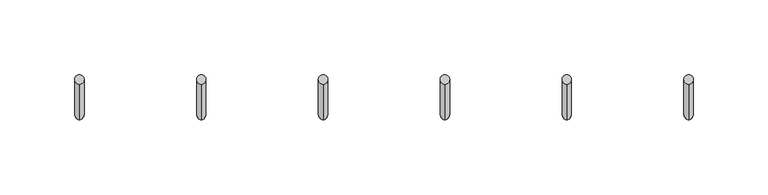
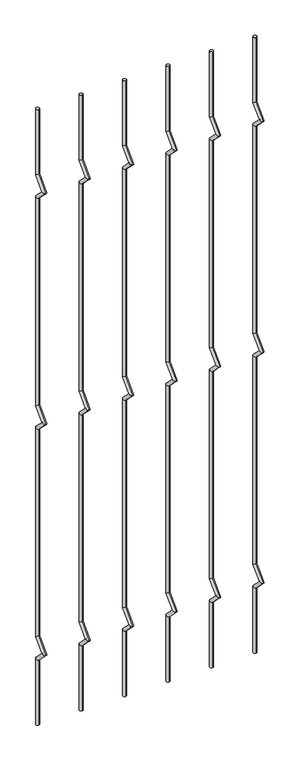
"""IFC4 building model written with IfcOpenShell, lengths in millimetres: railing geometry."""

from ifc_helpers import new_model, si_unit, frame, origin, place, context, project, spatial, circle_curve, ellipse_curve, source, transform, mapped, element, save
from ifc_brep_helpers import plane_surface, cylinder_surface, advanced_brep


def railing_15c8e966(model_context):
    return source(origin(), model_context, "Body", "AdvancedBrep", [
        advanced_brep(
        [(-19446.8326189, 14808.5554142, 25.4), (-19446.8326189, 14802.2054142, 25.4), (-19446.8326189, 14802.2054142, 154.0342316), (-19446.8326189, 14808.5554142, 156.6644878), (-19446.8326189, 14778.4396458, 177.8), (-19446.8326189, 14787.419902, 177.8), (-19446.8326189, 14802.2054142, 201.5657684), (-19446.8326189, 14808.5554142, 198.9355122), (-19446.8326189, 14802.2054142, 611.2342316), (-19446.8326189, 14808.5554142, 613.8644878), (-19446.8326189, 14778.4396458, 635.0), (-19446.8326189, 14787.419902, 635.0), (-19446.8326189, 14802.2054142, 658.7657684), (-19446.8326189, 14808.5554142, 656.1355122), (-19446.8326189, 14802.2054142, 1068.4342316), (-19446.8326189, 14808.5554142, 1071.0644878), (-19446.8326189, 14778.4396458, 1092.2), (-19446.8326189, 14787.419902, 1092.2), (-19446.8326189, 14802.2054142, 1115.9657684), (-19446.8326189, 14808.5554142, 1113.3355122), (-19446.8326189, 14808.5554142, 1244.6), (-19446.8326189, 14802.2054142, 1244.6)],
        [
            (0, 1, circle_curve(frame((-19446.8326189, 14805.3804142, 25.4), z_axis=(0.0, 0.0, -1.0), x_axis=(0.0, -1.0, 0.0)), 3.175)),
            (1, 0, circle_curve(frame((-19446.8326189, 14805.3804142, 25.4), z_axis=(0.0, 0.0, -1.0), x_axis=(0.0, -1.0, 0.0)), 3.175)),
            (1, 2),
            (2, 3, ellipse_curve(frame((-19446.8326189, 14805.3804142, 155.3493597), z_axis=(0.0, 0.3826834323650955, -0.9238795325112844), x_axis=(0.0, -0.9238795325112845, -0.38268343236509544)), 3.4365952, 3.175)),
            (3, 0),
            (3, 2, ellipse_curve(frame((-19446.8326189, 14805.3804142, 155.3493597), z_axis=(0.0, 0.3826834323650955, -0.9238795325112844), x_axis=(0.0, -0.9238795325112845, -0.38268343236509544)), 3.4365952, 3.175)),
            (2, 4),
            (4, 5, ellipse_curve(frame((-19446.8326189, 14782.9297739, 177.8), z_axis=(0.0, 0.0, -1.0), x_axis=(0.0, 1.0, 0.0)), 4.4901281, 3.175)),
            (5, 3),
            (5, 4, ellipse_curve(frame((-19446.8326189, 14782.9297739, 177.8), z_axis=(0.0, 0.0, -1.0), x_axis=(0.0, 1.0, 0.0)), 4.4901281, 3.175)),
            (4, 6),
            (6, 7, ellipse_curve(frame((-19446.8326189, 14805.3804142, 200.2506403), z_axis=(0.0, -0.3826834323650839, -0.9238795325112892), x_axis=(0.0, -0.9238795325112893, 0.38268343236508373)), 3.4365952, 3.175)),
            (7, 5),
            (7, 6, ellipse_curve(frame((-19446.8326189, 14805.3804142, 200.2506403), z_axis=(0.0, -0.3826834323650839, -0.9238795325112892), x_axis=(0.0, -0.9238795325112893, 0.38268343236508373)), 3.4365952, 3.175)),
            (6, 8),
            (8, 9, ellipse_curve(frame((-19446.8326189, 14805.3804142, 612.5493597), z_axis=(0.0, 0.3826834323651024, -0.9238795325112816), x_axis=(0.0, -0.9238795325112816, -0.382683432365102)), 3.4365952, 3.175)),
            (9, 7),
            (9, 8, ellipse_curve(frame((-19446.8326189, 14805.3804142, 612.5493597), z_axis=(0.0, 0.3826834323651024, -0.9238795325112816), x_axis=(0.0, -0.9238795325112816, -0.382683432365102)), 3.4365952, 3.175)),
            (8, 10),
            (10, 11, ellipse_curve(frame((-19446.8326189, 14782.9297739, 635.0), z_axis=(0.0, 0.0, -1.0), x_axis=(0.0, 1.0, 0.0)), 4.4901281, 3.175)),
            (11, 9),
            (11, 10, ellipse_curve(frame((-19446.8326189, 14782.9297739, 635.0), z_axis=(0.0, 0.0, -1.0), x_axis=(0.0, 1.0, 0.0)), 4.4901281, 3.175)),
            (10, 12),
            (12, 13, ellipse_curve(frame((-19446.8326189, 14805.3804142, 657.4506403), z_axis=(0.0, -0.3826834323650771, -0.923879532511292), x_axis=(0.0, -0.9238795325112918, 0.3826834323650773)), 3.4365952, 3.175)),
            (13, 11),
            (13, 12, ellipse_curve(frame((-19446.8326189, 14805.3804142, 657.4506403), z_axis=(0.0, -0.3826834323650771, -0.923879532511292), x_axis=(0.0, -0.9238795325112918, 0.3826834323650773)), 3.4365952, 3.175)),
            (12, 14),
            (14, 15, ellipse_curve(frame((-19446.8326189, 14805.3804142, 1069.7493597), z_axis=(0.0, 0.3826834323650978, -0.9238795325112834), x_axis=(0.0, -0.9238795325112834, -0.382683432365098)), 3.4365952, 3.175)),
            (15, 13),
            (15, 14, ellipse_curve(frame((-19446.8326189, 14805.3804142, 1069.7493597), z_axis=(0.0, 0.3826834323650978, -0.9238795325112834), x_axis=(0.0, -0.9238795325112834, -0.382683432365098)), 3.4365952, 3.175)),
            (14, 16),
            (16, 17, ellipse_curve(frame((-19446.8326189, 14782.9297739, 1092.2), z_axis=(0.0, 0.0, -1.0), x_axis=(0.0, 1.0, 0.0)), 4.4901281, 3.175)),
            (17, 15),
            (17, 16, ellipse_curve(frame((-19446.8326189, 14782.9297739, 1092.2), z_axis=(0.0, 0.0, -1.0), x_axis=(0.0, 1.0, 0.0)), 4.4901281, 3.175)),
            (16, 18),
            (18, 19, ellipse_curve(frame((-19446.8326189, 14805.3804142, 1114.6506403), z_axis=(0.0, -0.38268343236508223, -0.9238795325112898), x_axis=(0.0, -0.92387953251129, 0.38268343236508207)), 3.4365952, 3.175)),
            (19, 17),
            (19, 18, ellipse_curve(frame((-19446.8326189, 14805.3804142, 1114.6506403), z_axis=(0.0, -0.38268343236508223, -0.9238795325112898), x_axis=(0.0, -0.92387953251129, 0.38268343236508207)), 3.4365952, 3.175)),
            (20, 21, circle_curve(frame((-19446.8326189, 14805.3804142, 1244.6), z_axis=(0.0, 0.0, 1.0), x_axis=(0.0, -1.0, 0.0)), 3.175)),
            (21, 20, circle_curve(frame((-19446.8326189, 14805.3804142, 1244.6), z_axis=(0.0, 0.0, 1.0), x_axis=(0.0, -1.0, 0.0)), 3.175)),
            (18, 21),
            (20, 19),
        ],
        [
            plane_surface(frame((-19446.8326189, 14805.3804142, 25.4), z_axis=(0.0, 0.0, -1.0), x_axis=(-1.0, 0.0, 0.0))),
            cylinder_surface(frame((-19446.8326189, 14805.3804142, 25.4), z_axis=(0.0, 0.0, -1.0), x_axis=(0.0, -1.0, 0.0)), 3.175),
            cylinder_surface(frame((-19446.8326189, 14805.3804142, 155.3493597), z_axis=(0.0, 0.7071067811865563, -0.7071067811865388), x_axis=(0.0, -0.7071067811865388, -0.7071067811865563)), 3.175),
            cylinder_surface(frame((-19446.8326189, 14782.9297739, 177.8), z_axis=(0.0, -0.7071067811865385, -0.7071067811865568), x_axis=(0.0, -0.7071067811865568, 0.7071067811865385)), 3.175),
            cylinder_surface(frame((-19446.8326189, 14805.3804142, 200.2506403), z_axis=(0.0, 0.0, -1.0), x_axis=(0.0, -1.0, 0.0)), 3.175),
            cylinder_surface(frame((-19446.8326189, 14805.3804142, 612.5493597), z_axis=(0.0, 0.7071067811865669, -0.707106781186528), x_axis=(0.0, -0.707106781186528, -0.7071067811865669)), 3.175),
            cylinder_surface(frame((-19446.8326189, 14782.9297739, 635.0), z_axis=(0.0, -0.7071067811865279, -0.7071067811865672), x_axis=(0.0, -0.7071067811865672, 0.7071067811865279)), 3.175),
            cylinder_surface(frame((-19446.8326189, 14805.3804142, 657.4506403), z_axis=(0.0, 0.0, -1.0), x_axis=(0.0, -1.0, 0.0)), 3.175),
            cylinder_surface(frame((-19446.8326189, 14805.3804142, 1069.7493597), z_axis=(0.0, 0.7071067811865601, -0.707106781186535), x_axis=(0.0, -0.707106781186535, -0.7071067811865601)), 3.175),
            cylinder_surface(frame((-19446.8326189, 14782.9297739, 1092.2), z_axis=(0.0, -0.7071067811865356, -0.7071067811865596), x_axis=(0.0, -0.7071067811865596, 0.7071067811865356)), 3.175),
            plane_surface(frame((-19446.8326189, 14805.3804142, 1244.6), z_axis=(0.0, 0.0, 1.0), x_axis=(-1.0, 0.0, 0.0))),
            cylinder_surface(frame((-19446.8326189, 14805.3804142, 1114.6506403), z_axis=(0.0, 0.0, -1.0), x_axis=(0.0, -1.0, 0.0)), 3.175),
        ],
        [
            (0, [[1, 2]]),
            (1, [[3, 4, 5, -2]]),
            (1, [[-5, 6, -3, -1]]),
            (2, [[7, 8, 9, -4]]),
            (2, [[-9, 10, -7, -6]]),
            (3, [[11, 12, 13, -8]]),
            (3, [[-13, 14, -11, -10]]),
            (4, [[15, 16, 17, -12]]),
            (4, [[-17, 18, -15, -14]]),
            (5, [[19, 20, 21, -16]]),
            (5, [[-21, 22, -19, -18]]),
            (6, [[23, 24, 25, -20]]),
            (6, [[-25, 26, -23, -22]]),
            (7, [[27, 28, 29, -24]]),
            (7, [[-29, 30, -27, -26]]),
            (8, [[31, 32, 33, -28]]),
            (8, [[-33, 34, -31, -30]]),
            (9, [[35, 36, 37, -32]]),
            (9, [[-37, 38, -35, -34]]),
            (10, [[39, 40]]),
            (11, [[41, -39, 42, -36]]),
            (11, [[-42, -40, -41, -38]]),
        ],
    ),
        advanced_brep(
        [(-19365.2595419, 14808.5554142, 25.4), (-19365.2595419, 14802.2054142, 25.4), (-19365.2595419, 14802.2054142, 154.0342316), (-19365.2595419, 14808.5554142, 156.6644878), (-19365.2595419, 14778.4396458, 177.8), (-19365.2595419, 14787.419902, 177.8), (-19365.2595419, 14802.2054142, 201.5657684), (-19365.2595419, 14808.5554142, 198.9355122), (-19365.2595419, 14802.2054142, 611.2342316), (-19365.2595419, 14808.5554142, 613.8644878), (-19365.2595419, 14778.4396458, 635.0), (-19365.2595419, 14787.419902, 635.0), (-19365.2595419, 14802.2054142, 658.7657684), (-19365.2595419, 14808.5554142, 656.1355122), (-19365.2595419, 14802.2054142, 1068.4342316), (-19365.2595419, 14808.5554142, 1071.0644878), (-19365.2595419, 14778.4396458, 1092.2), (-19365.2595419, 14787.419902, 1092.2), (-19365.2595419, 14802.2054142, 1115.9657684), (-19365.2595419, 14808.5554142, 1113.3355122), (-19365.2595419, 14808.5554142, 1244.6), (-19365.2595419, 14802.2054142, 1244.6)],
        [
            (0, 1, circle_curve(frame((-19365.2595419, 14805.3804142, 25.4), z_axis=(0.0, 0.0, -1.0), x_axis=(0.0, -1.0, 0.0)), 3.175)),
            (1, 0, circle_curve(frame((-19365.2595419, 14805.3804142, 25.4), z_axis=(0.0, 0.0, -1.0), x_axis=(0.0, -1.0, 0.0)), 3.175)),
            (1, 2),
            (2, 3, ellipse_curve(frame((-19365.2595419, 14805.3804142, 155.3493597), z_axis=(0.0, 0.3826834323650955, -0.9238795325112844), x_axis=(0.0, -0.9238795325112845, -0.38268343236509544)), 3.4365952, 3.175)),
            (3, 0),
            (3, 2, ellipse_curve(frame((-19365.2595419, 14805.3804142, 155.3493597), z_axis=(0.0, 0.3826834323650955, -0.9238795325112844), x_axis=(0.0, -0.9238795325112845, -0.38268343236509544)), 3.4365952, 3.175)),
            (2, 4),
            (4, 5, ellipse_curve(frame((-19365.2595419, 14782.9297739, 177.8), z_axis=(0.0, 0.0, -1.0), x_axis=(0.0, 1.0, 0.0)), 4.4901281, 3.175)),
            (5, 3),
            (5, 4, ellipse_curve(frame((-19365.2595419, 14782.9297739, 177.8), z_axis=(0.0, 0.0, -1.0), x_axis=(0.0, 1.0, 0.0)), 4.4901281, 3.175)),
            (4, 6),
            (6, 7, ellipse_curve(frame((-19365.2595419, 14805.3804142, 200.2506403), z_axis=(0.0, -0.3826834323650839, -0.9238795325112892), x_axis=(0.0, -0.9238795325112893, 0.38268343236508373)), 3.4365952, 3.175)),
            (7, 5),
            (7, 6, ellipse_curve(frame((-19365.2595419, 14805.3804142, 200.2506403), z_axis=(0.0, -0.3826834323650839, -0.9238795325112892), x_axis=(0.0, -0.9238795325112893, 0.38268343236508373)), 3.4365952, 3.175)),
            (6, 8),
            (8, 9, ellipse_curve(frame((-19365.2595419, 14805.3804142, 612.5493597), z_axis=(0.0, 0.3826834323651024, -0.9238795325112816), x_axis=(0.0, -0.9238795325112816, -0.382683432365102)), 3.4365952, 3.175)),
            (9, 7),
            (9, 8, ellipse_curve(frame((-19365.2595419, 14805.3804142, 612.5493597), z_axis=(0.0, 0.3826834323651024, -0.9238795325112816), x_axis=(0.0, -0.9238795325112816, -0.382683432365102)), 3.4365952, 3.175)),
            (8, 10),
            (10, 11, ellipse_curve(frame((-19365.2595419, 14782.9297739, 635.0), z_axis=(0.0, 0.0, -1.0), x_axis=(0.0, 1.0, 0.0)), 4.4901281, 3.175)),
            (11, 9),
            (11, 10, ellipse_curve(frame((-19365.2595419, 14782.9297739, 635.0), z_axis=(0.0, 0.0, -1.0), x_axis=(0.0, 1.0, 0.0)), 4.4901281, 3.175)),
            (10, 12),
            (12, 13, ellipse_curve(frame((-19365.2595419, 14805.3804142, 657.4506403), z_axis=(0.0, -0.3826834323650771, -0.923879532511292), x_axis=(0.0, -0.9238795325112918, 0.3826834323650773)), 3.4365952, 3.175)),
            (13, 11),
            (13, 12, ellipse_curve(frame((-19365.2595419, 14805.3804142, 657.4506403), z_axis=(0.0, -0.3826834323650771, -0.923879532511292), x_axis=(0.0, -0.9238795325112918, 0.3826834323650773)), 3.4365952, 3.175)),
            (12, 14),
            (14, 15, ellipse_curve(frame((-19365.2595419, 14805.3804142, 1069.7493597), z_axis=(0.0, 0.3826834323650978, -0.9238795325112834), x_axis=(0.0, -0.9238795325112834, -0.382683432365098)), 3.4365952, 3.175)),
            (15, 13),
            (15, 14, ellipse_curve(frame((-19365.2595419, 14805.3804142, 1069.7493597), z_axis=(0.0, 0.3826834323650978, -0.9238795325112834), x_axis=(0.0, -0.9238795325112834, -0.382683432365098)), 3.4365952, 3.175)),
            (14, 16),
            (16, 17, ellipse_curve(frame((-19365.2595419, 14782.9297739, 1092.2), z_axis=(0.0, 0.0, -1.0), x_axis=(0.0, 1.0, 0.0)), 4.4901281, 3.175)),
            (17, 15),
            (17, 16, ellipse_curve(frame((-19365.2595419, 14782.9297739, 1092.2), z_axis=(0.0, 0.0, -1.0), x_axis=(0.0, 1.0, 0.0)), 4.4901281, 3.175)),
            (16, 18),
            (18, 19, ellipse_curve(frame((-19365.2595419, 14805.3804142, 1114.6506403), z_axis=(0.0, -0.38268343236508223, -0.9238795325112898), x_axis=(0.0, -0.92387953251129, 0.38268343236508207)), 3.4365952, 3.175)),
            (19, 17),
            (19, 18, ellipse_curve(frame((-19365.2595419, 14805.3804142, 1114.6506403), z_axis=(0.0, -0.38268343236508223, -0.9238795325112898), x_axis=(0.0, -0.92387953251129, 0.38268343236508207)), 3.4365952, 3.175)),
            (20, 21, circle_curve(frame((-19365.2595419, 14805.3804142, 1244.6), z_axis=(0.0, 0.0, 1.0), x_axis=(0.0, -1.0, 0.0)), 3.175)),
            (21, 20, circle_curve(frame((-19365.2595419, 14805.3804142, 1244.6), z_axis=(0.0, 0.0, 1.0), x_axis=(0.0, -1.0, 0.0)), 3.175)),
            (18, 21),
            (20, 19),
        ],
        [
            plane_surface(frame((-19365.2595419, 14805.3804142, 25.4), z_axis=(0.0, 0.0, -1.0), x_axis=(-1.0, 0.0, 0.0))),
            cylinder_surface(frame((-19365.2595419, 14805.3804142, 25.4), z_axis=(0.0, 0.0, -1.0), x_axis=(0.0, -1.0, 0.0)), 3.175),
            cylinder_surface(frame((-19365.2595419, 14805.3804142, 155.3493597), z_axis=(0.0, 0.7071067811865563, -0.7071067811865388), x_axis=(0.0, -0.7071067811865388, -0.7071067811865563)), 3.175),
            cylinder_surface(frame((-19365.2595419, 14782.9297739, 177.8), z_axis=(0.0, -0.7071067811865385, -0.7071067811865568), x_axis=(0.0, -0.7071067811865568, 0.7071067811865385)), 3.175),
            cylinder_surface(frame((-19365.2595419, 14805.3804142, 200.2506403), z_axis=(0.0, 0.0, -1.0), x_axis=(0.0, -1.0, 0.0)), 3.175),
            cylinder_surface(frame((-19365.2595419, 14805.3804142, 612.5493597), z_axis=(0.0, 0.7071067811865669, -0.707106781186528), x_axis=(0.0, -0.707106781186528, -0.7071067811865669)), 3.175),
            cylinder_surface(frame((-19365.2595419, 14782.9297739, 635.0), z_axis=(0.0, -0.7071067811865279, -0.7071067811865672), x_axis=(0.0, -0.7071067811865672, 0.7071067811865279)), 3.175),
            cylinder_surface(frame((-19365.2595419, 14805.3804142, 657.4506403), z_axis=(0.0, 0.0, -1.0), x_axis=(0.0, -1.0, 0.0)), 3.175),
            cylinder_surface(frame((-19365.2595419, 14805.3804142, 1069.7493597), z_axis=(0.0, 0.7071067811865601, -0.707106781186535), x_axis=(0.0, -0.707106781186535, -0.7071067811865601)), 3.175),
            cylinder_surface(frame((-19365.2595419, 14782.9297739, 1092.2), z_axis=(0.0, -0.7071067811865356, -0.7071067811865596), x_axis=(0.0, -0.7071067811865596, 0.7071067811865356)), 3.175),
            plane_surface(frame((-19365.2595419, 14805.3804142, 1244.6), z_axis=(0.0, 0.0, 1.0), x_axis=(-1.0, 0.0, 0.0))),
            cylinder_surface(frame((-19365.2595419, 14805.3804142, 1114.6506403), z_axis=(0.0, 0.0, -1.0), x_axis=(0.0, -1.0, 0.0)), 3.175),
        ],
        [
            (0, [[1, 2]]),
            (1, [[3, 4, 5, -2]]),
            (1, [[-5, 6, -3, -1]]),
            (2, [[7, 8, 9, -4]]),
            (2, [[-9, 10, -7, -6]]),
            (3, [[11, 12, 13, -8]]),
            (3, [[-13, 14, -11, -10]]),
            (4, [[15, 16, 17, -12]]),
            (4, [[-17, 18, -15, -14]]),
            (5, [[19, 20, 21, -16]]),
            (5, [[-21, 22, -19, -18]]),
            (6, [[23, 24, 25, -20]]),
            (6, [[-25, 26, -23, -22]]),
            (7, [[27, 28, 29, -24]]),
            (7, [[-29, 30, -27, -26]]),
            (8, [[31, 32, 33, -28]]),
            (8, [[-33, 34, -31, -30]]),
            (9, [[35, 36, 37, -32]]),
            (9, [[-37, 38, -35, -34]]),
            (10, [[39, 40]]),
            (11, [[41, -39, 42, -36]]),
            (11, [[-42, -40, -41, -38]]),
        ],
    ),
        advanced_brep(
        [(-19283.686465, 14808.5554142, 25.4), (-19283.686465, 14802.2054142, 25.4), (-19283.686465, 14802.2054142, 154.0342316), (-19283.686465, 14808.5554142, 156.6644878), (-19283.686465, 14778.4396458, 177.8), (-19283.686465, 14787.419902, 177.8), (-19283.686465, 14802.2054142, 201.5657684), (-19283.686465, 14808.5554142, 198.9355122), (-19283.686465, 14802.2054142, 611.2342316), (-19283.686465, 14808.5554142, 613.8644878), (-19283.686465, 14778.4396458, 635.0), (-19283.686465, 14787.419902, 635.0), (-19283.686465, 14802.2054142, 658.7657684), (-19283.686465, 14808.5554142, 656.1355122), (-19283.686465, 14802.2054142, 1068.4342316), (-19283.686465, 14808.5554142, 1071.0644878), (-19283.686465, 14778.4396458, 1092.2), (-19283.686465, 14787.419902, 1092.2), (-19283.686465, 14802.2054142, 1115.9657684), (-19283.686465, 14808.5554142, 1113.3355122), (-19283.686465, 14808.5554142, 1244.6), (-19283.686465, 14802.2054142, 1244.6)],
        [
            (0, 1, circle_curve(frame((-19283.686465, 14805.3804142, 25.4), z_axis=(0.0, 0.0, -1.0), x_axis=(0.0, -1.0, 0.0)), 3.175)),
            (1, 0, circle_curve(frame((-19283.686465, 14805.3804142, 25.4), z_axis=(0.0, 0.0, -1.0), x_axis=(0.0, -1.0, 0.0)), 3.175)),
            (1, 2),
            (2, 3, ellipse_curve(frame((-19283.686465, 14805.3804142, 155.3493597), z_axis=(0.0, 0.3826834323650955, -0.9238795325112844), x_axis=(0.0, -0.9238795325112845, -0.38268343236509544)), 3.4365952, 3.175)),
            (3, 0),
            (3, 2, ellipse_curve(frame((-19283.686465, 14805.3804142, 155.3493597), z_axis=(0.0, 0.3826834323650955, -0.9238795325112844), x_axis=(0.0, -0.9238795325112845, -0.38268343236509544)), 3.4365952, 3.175)),
            (2, 4),
            (4, 5, ellipse_curve(frame((-19283.686465, 14782.9297739, 177.8), z_axis=(0.0, 0.0, -1.0), x_axis=(0.0, 1.0, 0.0)), 4.4901281, 3.175)),
            (5, 3),
            (5, 4, ellipse_curve(frame((-19283.686465, 14782.9297739, 177.8), z_axis=(0.0, 0.0, -1.0), x_axis=(0.0, 1.0, 0.0)), 4.4901281, 3.175)),
            (4, 6),
            (6, 7, ellipse_curve(frame((-19283.686465, 14805.3804142, 200.2506403), z_axis=(0.0, -0.3826834323650839, -0.9238795325112892), x_axis=(0.0, -0.9238795325112893, 0.38268343236508373)), 3.4365952, 3.175)),
            (7, 5),
            (7, 6, ellipse_curve(frame((-19283.686465, 14805.3804142, 200.2506403), z_axis=(0.0, -0.3826834323650839, -0.9238795325112892), x_axis=(0.0, -0.9238795325112893, 0.38268343236508373)), 3.4365952, 3.175)),
            (6, 8),
            (8, 9, ellipse_curve(frame((-19283.686465, 14805.3804142, 612.5493597), z_axis=(0.0, 0.3826834323651024, -0.9238795325112816), x_axis=(0.0, -0.9238795325112816, -0.382683432365102)), 3.4365952, 3.175)),
            (9, 7),
            (9, 8, ellipse_curve(frame((-19283.686465, 14805.3804142, 612.5493597), z_axis=(0.0, 0.3826834323651024, -0.9238795325112816), x_axis=(0.0, -0.9238795325112816, -0.382683432365102)), 3.4365952, 3.175)),
            (8, 10),
            (10, 11, ellipse_curve(frame((-19283.686465, 14782.9297739, 635.0), z_axis=(0.0, 0.0, -1.0), x_axis=(0.0, 1.0, 0.0)), 4.4901281, 3.175)),
            (11, 9),
            (11, 10, ellipse_curve(frame((-19283.686465, 14782.9297739, 635.0), z_axis=(0.0, 0.0, -1.0), x_axis=(0.0, 1.0, 0.0)), 4.4901281, 3.175)),
            (10, 12),
            (12, 13, ellipse_curve(frame((-19283.686465, 14805.3804142, 657.4506403), z_axis=(0.0, -0.3826834323650771, -0.923879532511292), x_axis=(0.0, -0.9238795325112918, 0.3826834323650773)), 3.4365952, 3.175)),
            (13, 11),
            (13, 12, ellipse_curve(frame((-19283.686465, 14805.3804142, 657.4506403), z_axis=(0.0, -0.3826834323650771, -0.923879532511292), x_axis=(0.0, -0.9238795325112918, 0.3826834323650773)), 3.4365952, 3.175)),
            (12, 14),
            (14, 15, ellipse_curve(frame((-19283.686465, 14805.3804142, 1069.7493597), z_axis=(0.0, 0.3826834323650978, -0.9238795325112834), x_axis=(0.0, -0.9238795325112834, -0.382683432365098)), 3.4365952, 3.175)),
            (15, 13),
            (15, 14, ellipse_curve(frame((-19283.686465, 14805.3804142, 1069.7493597), z_axis=(0.0, 0.3826834323650978, -0.9238795325112834), x_axis=(0.0, -0.9238795325112834, -0.382683432365098)), 3.4365952, 3.175)),
            (14, 16),
            (16, 17, ellipse_curve(frame((-19283.686465, 14782.9297739, 1092.2), z_axis=(0.0, 0.0, -1.0), x_axis=(0.0, 1.0, 0.0)), 4.4901281, 3.175)),
            (17, 15),
            (17, 16, ellipse_curve(frame((-19283.686465, 14782.9297739, 1092.2), z_axis=(0.0, 0.0, -1.0), x_axis=(0.0, 1.0, 0.0)), 4.4901281, 3.175)),
            (16, 18),
            (18, 19, ellipse_curve(frame((-19283.686465, 14805.3804142, 1114.6506403), z_axis=(0.0, -0.38268343236508223, -0.9238795325112898), x_axis=(0.0, -0.92387953251129, 0.38268343236508207)), 3.4365952, 3.175)),
            (19, 17),
            (19, 18, ellipse_curve(frame((-19283.686465, 14805.3804142, 1114.6506403), z_axis=(0.0, -0.38268343236508223, -0.9238795325112898), x_axis=(0.0, -0.92387953251129, 0.38268343236508207)), 3.4365952, 3.175)),
            (20, 21, circle_curve(frame((-19283.686465, 14805.3804142, 1244.6), z_axis=(0.0, 0.0, 1.0), x_axis=(0.0, -1.0, 0.0)), 3.175)),
            (21, 20, circle_curve(frame((-19283.686465, 14805.3804142, 1244.6), z_axis=(0.0, 0.0, 1.0), x_axis=(0.0, -1.0, 0.0)), 3.175)),
            (18, 21),
            (20, 19),
        ],
        [
            plane_surface(frame((-19283.686465, 14805.3804142, 25.4), z_axis=(0.0, 0.0, -1.0), x_axis=(-1.0, 0.0, 0.0))),
            cylinder_surface(frame((-19283.686465, 14805.3804142, 25.4), z_axis=(0.0, 0.0, -1.0), x_axis=(0.0, -1.0, 0.0)), 3.175),
            cylinder_surface(frame((-19283.686465, 14805.3804142, 155.3493597), z_axis=(0.0, 0.7071067811865563, -0.7071067811865388), x_axis=(0.0, -0.7071067811865388, -0.7071067811865563)), 3.175),
            cylinder_surface(frame((-19283.686465, 14782.9297739, 177.8), z_axis=(0.0, -0.7071067811865385, -0.7071067811865568), x_axis=(0.0, -0.7071067811865568, 0.7071067811865385)), 3.175),
            cylinder_surface(frame((-19283.686465, 14805.3804142, 200.2506403), z_axis=(0.0, 0.0, -1.0), x_axis=(0.0, -1.0, 0.0)), 3.175),
            cylinder_surface(frame((-19283.686465, 14805.3804142, 612.5493597), z_axis=(0.0, 0.7071067811865669, -0.707106781186528), x_axis=(0.0, -0.707106781186528, -0.7071067811865669)), 3.175),
            cylinder_surface(frame((-19283.686465, 14782.9297739, 635.0), z_axis=(0.0, -0.7071067811865279, -0.7071067811865672), x_axis=(0.0, -0.7071067811865672, 0.7071067811865279)), 3.175),
            cylinder_surface(frame((-19283.686465, 14805.3804142, 657.4506403), z_axis=(0.0, 0.0, -1.0), x_axis=(0.0, -1.0, 0.0)), 3.175),
            cylinder_surface(frame((-19283.686465, 14805.3804142, 1069.7493597), z_axis=(0.0, 0.7071067811865601, -0.707106781186535), x_axis=(0.0, -0.707106781186535, -0.7071067811865601)), 3.175),
            cylinder_surface(frame((-19283.686465, 14782.9297739, 1092.2), z_axis=(0.0, -0.7071067811865356, -0.7071067811865596), x_axis=(0.0, -0.7071067811865596, 0.7071067811865356)), 3.175),
            plane_surface(frame((-19283.686465, 14805.3804142, 1244.6), z_axis=(0.0, 0.0, 1.0), x_axis=(-1.0, 0.0, 0.0))),
            cylinder_surface(frame((-19283.686465, 14805.3804142, 1114.6506403), z_axis=(0.0, 0.0, -1.0), x_axis=(0.0, -1.0, 0.0)), 3.175),
        ],
        [
            (0, [[1, 2]]),
            (1, [[3, 4, 5, -2]]),
            (1, [[-5, 6, -3, -1]]),
            (2, [[7, 8, 9, -4]]),
            (2, [[-9, 10, -7, -6]]),
            (3, [[11, 12, 13, -8]]),
            (3, [[-13, 14, -11, -10]]),
            (4, [[15, 16, 17, -12]]),
            (4, [[-17, 18, -15, -14]]),
            (5, [[19, 20, 21, -16]]),
            (5, [[-21, 22, -19, -18]]),
            (6, [[23, 24, 25, -20]]),
            (6, [[-25, 26, -23, -22]]),
            (7, [[27, 28, 29, -24]]),
            (7, [[-29, 30, -27, -26]]),
            (8, [[31, 32, 33, -28]]),
            (8, [[-33, 34, -31, -30]]),
            (9, [[35, 36, 37, -32]]),
            (9, [[-37, 38, -35, -34]]),
            (10, [[39, 40]]),
            (11, [[41, -39, 42, -36]]),
            (11, [[-42, -40, -41, -38]]),
        ],
    ),
        advanced_brep(
        [(-19202.1133881, 14808.5554142, 25.4), (-19202.1133881, 14802.2054142, 25.4), (-19202.1133881, 14802.2054142, 154.0342316), (-19202.1133881, 14808.5554142, 156.6644878), (-19202.1133881, 14778.4396458, 177.8), (-19202.1133881, 14787.419902, 177.8), (-19202.1133881, 14802.2054142, 201.5657684), (-19202.1133881, 14808.5554142, 198.9355122), (-19202.1133881, 14802.2054142, 611.2342316), (-19202.1133881, 14808.5554142, 613.8644878), (-19202.1133881, 14778.4396458, 635.0), (-19202.1133881, 14787.419902, 635.0), (-19202.1133881, 14802.2054142, 658.7657684), (-19202.1133881, 14808.5554142, 656.1355122), (-19202.1133881, 14802.2054142, 1068.4342316), (-19202.1133881, 14808.5554142, 1071.0644878), (-19202.1133881, 14778.4396458, 1092.2), (-19202.1133881, 14787.419902, 1092.2), (-19202.1133881, 14802.2054142, 1115.9657684), (-19202.1133881, 14808.5554142, 1113.3355122), (-19202.1133881, 14808.5554142, 1244.6), (-19202.1133881, 14802.2054142, 1244.6)],
        [
            (0, 1, circle_curve(frame((-19202.1133881, 14805.3804142, 25.4), z_axis=(0.0, 0.0, -1.0), x_axis=(0.0, -1.0, 0.0)), 3.175)),
            (1, 0, circle_curve(frame((-19202.1133881, 14805.3804142, 25.4), z_axis=(0.0, 0.0, -1.0), x_axis=(0.0, -1.0, 0.0)), 3.175)),
            (1, 2),
            (2, 3, ellipse_curve(frame((-19202.1133881, 14805.3804142, 155.3493597), z_axis=(0.0, 0.3826834323650955, -0.9238795325112844), x_axis=(0.0, -0.9238795325112845, -0.38268343236509544)), 3.4365952, 3.175)),
            (3, 0),
            (3, 2, ellipse_curve(frame((-19202.1133881, 14805.3804142, 155.3493597), z_axis=(0.0, 0.3826834323650955, -0.9238795325112844), x_axis=(0.0, -0.9238795325112845, -0.38268343236509544)), 3.4365952, 3.175)),
            (2, 4),
            (4, 5, ellipse_curve(frame((-19202.1133881, 14782.9297739, 177.8), z_axis=(0.0, 0.0, -1.0), x_axis=(0.0, 1.0, 0.0)), 4.4901281, 3.175)),
            (5, 3),
            (5, 4, ellipse_curve(frame((-19202.1133881, 14782.9297739, 177.8), z_axis=(0.0, 0.0, -1.0), x_axis=(0.0, 1.0, 0.0)), 4.4901281, 3.175)),
            (4, 6),
            (6, 7, ellipse_curve(frame((-19202.1133881, 14805.3804142, 200.2506403), z_axis=(0.0, -0.3826834323650839, -0.9238795325112892), x_axis=(0.0, -0.9238795325112893, 0.38268343236508373)), 3.4365952, 3.175)),
            (7, 5),
            (7, 6, ellipse_curve(frame((-19202.1133881, 14805.3804142, 200.2506403), z_axis=(0.0, -0.3826834323650839, -0.9238795325112892), x_axis=(0.0, -0.9238795325112893, 0.38268343236508373)), 3.4365952, 3.175)),
            (6, 8),
            (8, 9, ellipse_curve(frame((-19202.1133881, 14805.3804142, 612.5493597), z_axis=(0.0, 0.3826834323651024, -0.9238795325112816), x_axis=(0.0, -0.9238795325112816, -0.382683432365102)), 3.4365952, 3.175)),
            (9, 7),
            (9, 8, ellipse_curve(frame((-19202.1133881, 14805.3804142, 612.5493597), z_axis=(0.0, 0.3826834323651024, -0.9238795325112816), x_axis=(0.0, -0.9238795325112816, -0.382683432365102)), 3.4365952, 3.175)),
            (8, 10),
            (10, 11, ellipse_curve(frame((-19202.1133881, 14782.9297739, 635.0), z_axis=(0.0, 0.0, -1.0), x_axis=(0.0, 1.0, 0.0)), 4.4901281, 3.175)),
            (11, 9),
            (11, 10, ellipse_curve(frame((-19202.1133881, 14782.9297739, 635.0), z_axis=(0.0, 0.0, -1.0), x_axis=(0.0, 1.0, 0.0)), 4.4901281, 3.175)),
            (10, 12),
            (12, 13, ellipse_curve(frame((-19202.1133881, 14805.3804142, 657.4506403), z_axis=(0.0, -0.3826834323650771, -0.923879532511292), x_axis=(0.0, -0.9238795325112918, 0.3826834323650773)), 3.4365952, 3.175)),
            (13, 11),
            (13, 12, ellipse_curve(frame((-19202.1133881, 14805.3804142, 657.4506403), z_axis=(0.0, -0.3826834323650771, -0.923879532511292), x_axis=(0.0, -0.9238795325112918, 0.3826834323650773)), 3.4365952, 3.175)),
            (12, 14),
            (14, 15, ellipse_curve(frame((-19202.1133881, 14805.3804142, 1069.7493597), z_axis=(0.0, 0.3826834323650978, -0.9238795325112834), x_axis=(0.0, -0.9238795325112834, -0.382683432365098)), 3.4365952, 3.175)),
            (15, 13),
            (15, 14, ellipse_curve(frame((-19202.1133881, 14805.3804142, 1069.7493597), z_axis=(0.0, 0.3826834323650978, -0.9238795325112834), x_axis=(0.0, -0.9238795325112834, -0.382683432365098)), 3.4365952, 3.175)),
            (14, 16),
            (16, 17, ellipse_curve(frame((-19202.1133881, 14782.9297739, 1092.2), z_axis=(0.0, 0.0, -1.0), x_axis=(0.0, 1.0, 0.0)), 4.4901281, 3.175)),
            (17, 15),
            (17, 16, ellipse_curve(frame((-19202.1133881, 14782.9297739, 1092.2), z_axis=(0.0, 0.0, -1.0), x_axis=(0.0, 1.0, 0.0)), 4.4901281, 3.175)),
            (16, 18),
            (18, 19, ellipse_curve(frame((-19202.1133881, 14805.3804142, 1114.6506403), z_axis=(0.0, -0.38268343236508223, -0.9238795325112898), x_axis=(0.0, -0.92387953251129, 0.38268343236508207)), 3.4365952, 3.175)),
            (19, 17),
            (19, 18, ellipse_curve(frame((-19202.1133881, 14805.3804142, 1114.6506403), z_axis=(0.0, -0.38268343236508223, -0.9238795325112898), x_axis=(0.0, -0.92387953251129, 0.38268343236508207)), 3.4365952, 3.175)),
            (20, 21, circle_curve(frame((-19202.1133881, 14805.3804142, 1244.6), z_axis=(0.0, 0.0, 1.0), x_axis=(0.0, -1.0, 0.0)), 3.175)),
            (21, 20, circle_curve(frame((-19202.1133881, 14805.3804142, 1244.6), z_axis=(0.0, 0.0, 1.0), x_axis=(0.0, -1.0, 0.0)), 3.175)),
            (18, 21),
            (20, 19),
        ],
        [
            plane_surface(frame((-19202.1133881, 14805.3804142, 25.4), z_axis=(0.0, 0.0, -1.0), x_axis=(-1.0, 0.0, 0.0))),
            cylinder_surface(frame((-19202.1133881, 14805.3804142, 25.4), z_axis=(0.0, 0.0, -1.0), x_axis=(0.0, -1.0, 0.0)), 3.175),
            cylinder_surface(frame((-19202.1133881, 14805.3804142, 155.3493597), z_axis=(0.0, 0.7071067811865563, -0.7071067811865388), x_axis=(0.0, -0.7071067811865388, -0.7071067811865563)), 3.175),
            cylinder_surface(frame((-19202.1133881, 14782.9297739, 177.8), z_axis=(0.0, -0.7071067811865385, -0.7071067811865568), x_axis=(0.0, -0.7071067811865568, 0.7071067811865385)), 3.175),
            cylinder_surface(frame((-19202.1133881, 14805.3804142, 200.2506403), z_axis=(0.0, 0.0, -1.0), x_axis=(0.0, -1.0, 0.0)), 3.175),
            cylinder_surface(frame((-19202.1133881, 14805.3804142, 612.5493597), z_axis=(0.0, 0.7071067811865669, -0.707106781186528), x_axis=(0.0, -0.707106781186528, -0.7071067811865669)), 3.175),
            cylinder_surface(frame((-19202.1133881, 14782.9297739, 635.0), z_axis=(0.0, -0.7071067811865279, -0.7071067811865672), x_axis=(0.0, -0.7071067811865672, 0.7071067811865279)), 3.175),
            cylinder_surface(frame((-19202.1133881, 14805.3804142, 657.4506403), z_axis=(0.0, 0.0, -1.0), x_axis=(0.0, -1.0, 0.0)), 3.175),
            cylinder_surface(frame((-19202.1133881, 14805.3804142, 1069.7493597), z_axis=(0.0, 0.7071067811865601, -0.707106781186535), x_axis=(0.0, -0.707106781186535, -0.7071067811865601)), 3.175),
            cylinder_surface(frame((-19202.1133881, 14782.9297739, 1092.2), z_axis=(0.0, -0.7071067811865356, -0.7071067811865596), x_axis=(0.0, -0.7071067811865596, 0.7071067811865356)), 3.175),
            plane_surface(frame((-19202.1133881, 14805.3804142, 1244.6), z_axis=(0.0, 0.0, 1.0), x_axis=(-1.0, 0.0, 0.0))),
            cylinder_surface(frame((-19202.1133881, 14805.3804142, 1114.6506403), z_axis=(0.0, 0.0, -1.0), x_axis=(0.0, -1.0, 0.0)), 3.175),
        ],
        [
            (0, [[1, 2]]),
            (1, [[3, 4, 5, -2]]),
            (1, [[-5, 6, -3, -1]]),
            (2, [[7, 8, 9, -4]]),
            (2, [[-9, 10, -7, -6]]),
            (3, [[11, 12, 13, -8]]),
            (3, [[-13, 14, -11, -10]]),
            (4, [[15, 16, 17, -12]]),
            (4, [[-17, 18, -15, -14]]),
            (5, [[19, 20, 21, -16]]),
            (5, [[-21, 22, -19, -18]]),
            (6, [[23, 24, 25, -20]]),
            (6, [[-25, 26, -23, -22]]),
            (7, [[27, 28, 29, -24]]),
            (7, [[-29, 30, -27, -26]]),
            (8, [[31, 32, 33, -28]]),
            (8, [[-33, 34, -31, -30]]),
            (9, [[35, 36, 37, -32]]),
            (9, [[-37, 38, -35, -34]]),
            (10, [[39, 40]]),
            (11, [[41, -39, 42, -36]]),
            (11, [[-42, -40, -41, -38]]),
        ],
    ),
        advanced_brep(
        [(-19120.5403112, 14808.5554142, 25.4), (-19120.5403112, 14802.2054142, 25.4), (-19120.5403112, 14802.2054142, 154.0342316), (-19120.5403112, 14808.5554142, 156.6644878), (-19120.5403112, 14778.4396458, 177.8), (-19120.5403112, 14787.419902, 177.8), (-19120.5403112, 14802.2054142, 201.5657684), (-19120.5403112, 14808.5554142, 198.9355122), (-19120.5403112, 14802.2054142, 611.2342316), (-19120.5403112, 14808.5554142, 613.8644878), (-19120.5403112, 14778.4396458, 635.0), (-19120.5403112, 14787.419902, 635.0), (-19120.5403112, 14802.2054142, 658.7657684), (-19120.5403112, 14808.5554142, 656.1355122), (-19120.5403112, 14802.2054142, 1068.4342316), (-19120.5403112, 14808.5554142, 1071.0644878), (-19120.5403112, 14778.4396458, 1092.2), (-19120.5403112, 14787.419902, 1092.2), (-19120.5403112, 14802.2054142, 1115.9657684), (-19120.5403112, 14808.5554142, 1113.3355122), (-19120.5403112, 14808.5554142, 1244.6), (-19120.5403112, 14802.2054142, 1244.6)],
        [
            (0, 1, circle_curve(frame((-19120.5403112, 14805.3804142, 25.4), z_axis=(0.0, 0.0, -1.0), x_axis=(0.0, -1.0, 0.0)), 3.175)),
            (1, 0, circle_curve(frame((-19120.5403112, 14805.3804142, 25.4), z_axis=(0.0, 0.0, -1.0), x_axis=(0.0, -1.0, 0.0)), 3.175)),
            (1, 2),
            (2, 3, ellipse_curve(frame((-19120.5403112, 14805.3804142, 155.3493597), z_axis=(0.0, 0.3826834323650955, -0.9238795325112844), x_axis=(0.0, -0.9238795325112845, -0.38268343236509544)), 3.4365952, 3.175)),
            (3, 0),
            (3, 2, ellipse_curve(frame((-19120.5403112, 14805.3804142, 155.3493597), z_axis=(0.0, 0.3826834323650955, -0.9238795325112844), x_axis=(0.0, -0.9238795325112845, -0.38268343236509544)), 3.4365952, 3.175)),
            (2, 4),
            (4, 5, ellipse_curve(frame((-19120.5403112, 14782.9297739, 177.8), z_axis=(0.0, 0.0, -1.0), x_axis=(0.0, 1.0, 0.0)), 4.4901281, 3.175)),
            (5, 3),
            (5, 4, ellipse_curve(frame((-19120.5403112, 14782.9297739, 177.8), z_axis=(0.0, 0.0, -1.0), x_axis=(0.0, 1.0, 0.0)), 4.4901281, 3.175)),
            (4, 6),
            (6, 7, ellipse_curve(frame((-19120.5403112, 14805.3804142, 200.2506403), z_axis=(0.0, -0.3826834323650839, -0.9238795325112892), x_axis=(0.0, -0.9238795325112893, 0.38268343236508373)), 3.4365952, 3.175)),
            (7, 5),
            (7, 6, ellipse_curve(frame((-19120.5403112, 14805.3804142, 200.2506403), z_axis=(0.0, -0.3826834323650839, -0.9238795325112892), x_axis=(0.0, -0.9238795325112893, 0.38268343236508373)), 3.4365952, 3.175)),
            (6, 8),
            (8, 9, ellipse_curve(frame((-19120.5403112, 14805.3804142, 612.5493597), z_axis=(0.0, 0.3826834323651024, -0.9238795325112816), x_axis=(0.0, -0.9238795325112816, -0.382683432365102)), 3.4365952, 3.175)),
            (9, 7),
            (9, 8, ellipse_curve(frame((-19120.5403112, 14805.3804142, 612.5493597), z_axis=(0.0, 0.3826834323651024, -0.9238795325112816), x_axis=(0.0, -0.9238795325112816, -0.382683432365102)), 3.4365952, 3.175)),
            (8, 10),
            (10, 11, ellipse_curve(frame((-19120.5403112, 14782.9297739, 635.0), z_axis=(0.0, 0.0, -1.0), x_axis=(0.0, 1.0, 0.0)), 4.4901281, 3.175)),
            (11, 9),
            (11, 10, ellipse_curve(frame((-19120.5403112, 14782.9297739, 635.0), z_axis=(0.0, 0.0, -1.0), x_axis=(0.0, 1.0, 0.0)), 4.4901281, 3.175)),
            (10, 12),
            (12, 13, ellipse_curve(frame((-19120.5403112, 14805.3804142, 657.4506403), z_axis=(0.0, -0.3826834323650771, -0.923879532511292), x_axis=(0.0, -0.9238795325112918, 0.3826834323650773)), 3.4365952, 3.175)),
            (13, 11),
            (13, 12, ellipse_curve(frame((-19120.5403112, 14805.3804142, 657.4506403), z_axis=(0.0, -0.3826834323650771, -0.923879532511292), x_axis=(0.0, -0.9238795325112918, 0.3826834323650773)), 3.4365952, 3.175)),
            (12, 14),
            (14, 15, ellipse_curve(frame((-19120.5403112, 14805.3804142, 1069.7493597), z_axis=(0.0, 0.3826834323650978, -0.9238795325112834), x_axis=(0.0, -0.9238795325112834, -0.382683432365098)), 3.4365952, 3.175)),
            (15, 13),
            (15, 14, ellipse_curve(frame((-19120.5403112, 14805.3804142, 1069.7493597), z_axis=(0.0, 0.3826834323650978, -0.9238795325112834), x_axis=(0.0, -0.9238795325112834, -0.382683432365098)), 3.4365952, 3.175)),
            (14, 16),
            (16, 17, ellipse_curve(frame((-19120.5403112, 14782.9297739, 1092.2), z_axis=(0.0, 0.0, -1.0), x_axis=(0.0, 1.0, 0.0)), 4.4901281, 3.175)),
            (17, 15),
            (17, 16, ellipse_curve(frame((-19120.5403112, 14782.9297739, 1092.2), z_axis=(0.0, 0.0, -1.0), x_axis=(0.0, 1.0, 0.0)), 4.4901281, 3.175)),
            (16, 18),
            (18, 19, ellipse_curve(frame((-19120.5403112, 14805.3804142, 1114.6506403), z_axis=(0.0, -0.38268343236508223, -0.9238795325112898), x_axis=(0.0, -0.92387953251129, 0.38268343236508207)), 3.4365952, 3.175)),
            (19, 17),
            (19, 18, ellipse_curve(frame((-19120.5403112, 14805.3804142, 1114.6506403), z_axis=(0.0, -0.38268343236508223, -0.9238795325112898), x_axis=(0.0, -0.92387953251129, 0.38268343236508207)), 3.4365952, 3.175)),
            (20, 21, circle_curve(frame((-19120.5403112, 14805.3804142, 1244.6), z_axis=(0.0, 0.0, 1.0), x_axis=(0.0, -1.0, 0.0)), 3.175)),
            (21, 20, circle_curve(frame((-19120.5403112, 14805.3804142, 1244.6), z_axis=(0.0, 0.0, 1.0), x_axis=(0.0, -1.0, 0.0)), 3.175)),
            (18, 21),
            (20, 19),
        ],
        [
            plane_surface(frame((-19120.5403112, 14805.3804142, 25.4), z_axis=(0.0, 0.0, -1.0), x_axis=(-1.0, 0.0, 0.0))),
            cylinder_surface(frame((-19120.5403112, 14805.3804142, 25.4), z_axis=(0.0, 0.0, -1.0), x_axis=(0.0, -1.0, 0.0)), 3.175),
            cylinder_surface(frame((-19120.5403112, 14805.3804142, 155.3493597), z_axis=(0.0, 0.7071067811865563, -0.7071067811865388), x_axis=(0.0, -0.7071067811865388, -0.7071067811865563)), 3.175),
            cylinder_surface(frame((-19120.5403112, 14782.9297739, 177.8), z_axis=(0.0, -0.7071067811865385, -0.7071067811865568), x_axis=(0.0, -0.7071067811865568, 0.7071067811865385)), 3.175),
            cylinder_surface(frame((-19120.5403112, 14805.3804142, 200.2506403), z_axis=(0.0, 0.0, -1.0), x_axis=(0.0, -1.0, 0.0)), 3.175),
            cylinder_surface(frame((-19120.5403112, 14805.3804142, 612.5493597), z_axis=(0.0, 0.7071067811865669, -0.707106781186528), x_axis=(0.0, -0.707106781186528, -0.7071067811865669)), 3.175),
            cylinder_surface(frame((-19120.5403112, 14782.9297739, 635.0), z_axis=(0.0, -0.7071067811865279, -0.7071067811865672), x_axis=(0.0, -0.7071067811865672, 0.7071067811865279)), 3.175),
            cylinder_surface(frame((-19120.5403112, 14805.3804142, 657.4506403), z_axis=(0.0, 0.0, -1.0), x_axis=(0.0, -1.0, 0.0)), 3.175),
            cylinder_surface(frame((-19120.5403112, 14805.3804142, 1069.7493597), z_axis=(0.0, 0.7071067811865601, -0.707106781186535), x_axis=(0.0, -0.707106781186535, -0.7071067811865601)), 3.175),
            cylinder_surface(frame((-19120.5403112, 14782.9297739, 1092.2), z_axis=(0.0, -0.7071067811865356, -0.7071067811865596), x_axis=(0.0, -0.7071067811865596, 0.7071067811865356)), 3.175),
            plane_surface(frame((-19120.5403112, 14805.3804142, 1244.6), z_axis=(0.0, 0.0, 1.0), x_axis=(-1.0, 0.0, 0.0))),
            cylinder_surface(frame((-19120.5403112, 14805.3804142, 1114.6506403), z_axis=(0.0, 0.0, -1.0), x_axis=(0.0, -1.0, 0.0)), 3.175),
        ],
        [
            (0, [[1, 2]]),
            (1, [[3, 4, 5, -2]]),
            (1, [[-5, 6, -3, -1]]),
            (2, [[7, 8, 9, -4]]),
            (2, [[-9, 10, -7, -6]]),
            (3, [[11, 12, 13, -8]]),
            (3, [[-13, 14, -11, -10]]),
            (4, [[15, 16, 17, -12]]),
            (4, [[-17, 18, -15, -14]]),
            (5, [[19, 20, 21, -16]]),
            (5, [[-21, 22, -19, -18]]),
            (6, [[23, 24, 25, -20]]),
            (6, [[-25, 26, -23, -22]]),
            (7, [[27, 28, 29, -24]]),
            (7, [[-29, 30, -27, -26]]),
            (8, [[31, 32, 33, -28]]),
            (8, [[-33, 34, -31, -30]]),
            (9, [[35, 36, 37, -32]]),
            (9, [[-37, 38, -35, -34]]),
            (10, [[39, 40]]),
            (11, [[41, -39, 42, -36]]),
            (11, [[-42, -40, -41, -38]]),
        ],
    ),
        advanced_brep(
        [(-19038.9672342, 14808.5554142, 25.4), (-19038.9672342, 14802.2054142, 25.4), (-19038.9672342, 14802.2054142, 154.0342316), (-19038.9672342, 14808.5554142, 156.6644878), (-19038.9672342, 14778.4396458, 177.8), (-19038.9672342, 14787.419902, 177.8), (-19038.9672342, 14802.2054142, 201.5657684), (-19038.9672342, 14808.5554142, 198.9355122), (-19038.9672342, 14802.2054142, 611.2342316), (-19038.9672342, 14808.5554142, 613.8644878), (-19038.9672342, 14778.4396458, 635.0), (-19038.9672342, 14787.419902, 635.0), (-19038.9672342, 14802.2054142, 658.7657684), (-19038.9672342, 14808.5554142, 656.1355122), (-19038.9672342, 14802.2054142, 1068.4342316), (-19038.9672342, 14808.5554142, 1071.0644878), (-19038.9672342, 14778.4396458, 1092.2), (-19038.9672342, 14787.419902, 1092.2), (-19038.9672342, 14802.2054142, 1115.9657684), (-19038.9672342, 14808.5554142, 1113.3355122), (-19038.9672342, 14808.5554142, 1244.6), (-19038.9672342, 14802.2054142, 1244.6)],
        [
            (0, 1, circle_curve(frame((-19038.9672342, 14805.3804142, 25.4), z_axis=(0.0, 0.0, -1.0), x_axis=(0.0, -1.0, 0.0)), 3.175)),
            (1, 0, circle_curve(frame((-19038.9672342, 14805.3804142, 25.4), z_axis=(0.0, 0.0, -1.0), x_axis=(0.0, -1.0, 0.0)), 3.175)),
            (1, 2),
            (2, 3, ellipse_curve(frame((-19038.9672342, 14805.3804142, 155.3493597), z_axis=(0.0, 0.3826834323650955, -0.9238795325112844), x_axis=(0.0, -0.9238795325112845, -0.38268343236509544)), 3.4365952, 3.175)),
            (3, 0),
            (3, 2, ellipse_curve(frame((-19038.9672342, 14805.3804142, 155.3493597), z_axis=(0.0, 0.3826834323650955, -0.9238795325112844), x_axis=(0.0, -0.9238795325112845, -0.38268343236509544)), 3.4365952, 3.175)),
            (2, 4),
            (4, 5, ellipse_curve(frame((-19038.9672342, 14782.9297739, 177.8), z_axis=(0.0, 0.0, -1.0), x_axis=(0.0, 1.0, 0.0)), 4.4901281, 3.175)),
            (5, 3),
            (5, 4, ellipse_curve(frame((-19038.9672342, 14782.9297739, 177.8), z_axis=(0.0, 0.0, -1.0), x_axis=(0.0, 1.0, 0.0)), 4.4901281, 3.175)),
            (4, 6),
            (6, 7, ellipse_curve(frame((-19038.9672342, 14805.3804142, 200.2506403), z_axis=(0.0, -0.3826834323650839, -0.9238795325112892), x_axis=(0.0, -0.9238795325112893, 0.38268343236508373)), 3.4365952, 3.175)),
            (7, 5),
            (7, 6, ellipse_curve(frame((-19038.9672342, 14805.3804142, 200.2506403), z_axis=(0.0, -0.3826834323650839, -0.9238795325112892), x_axis=(0.0, -0.9238795325112893, 0.38268343236508373)), 3.4365952, 3.175)),
            (6, 8),
            (8, 9, ellipse_curve(frame((-19038.9672342, 14805.3804142, 612.5493597), z_axis=(0.0, 0.3826834323651024, -0.9238795325112816), x_axis=(0.0, -0.9238795325112816, -0.382683432365102)), 3.4365952, 3.175)),
            (9, 7),
            (9, 8, ellipse_curve(frame((-19038.9672342, 14805.3804142, 612.5493597), z_axis=(0.0, 0.3826834323651024, -0.9238795325112816), x_axis=(0.0, -0.9238795325112816, -0.382683432365102)), 3.4365952, 3.175)),
            (8, 10),
            (10, 11, ellipse_curve(frame((-19038.9672342, 14782.9297739, 635.0), z_axis=(0.0, 0.0, -1.0), x_axis=(0.0, 1.0, 0.0)), 4.4901281, 3.175)),
            (11, 9),
            (11, 10, ellipse_curve(frame((-19038.9672342, 14782.9297739, 635.0), z_axis=(0.0, 0.0, -1.0), x_axis=(0.0, 1.0, 0.0)), 4.4901281, 3.175)),
            (10, 12),
            (12, 13, ellipse_curve(frame((-19038.9672342, 14805.3804142, 657.4506403), z_axis=(0.0, -0.3826834323650771, -0.923879532511292), x_axis=(0.0, -0.9238795325112918, 0.3826834323650773)), 3.4365952, 3.175)),
            (13, 11),
            (13, 12, ellipse_curve(frame((-19038.9672342, 14805.3804142, 657.4506403), z_axis=(0.0, -0.3826834323650771, -0.923879532511292), x_axis=(0.0, -0.9238795325112918, 0.3826834323650773)), 3.4365952, 3.175)),
            (12, 14),
            (14, 15, ellipse_curve(frame((-19038.9672342, 14805.3804142, 1069.7493597), z_axis=(0.0, 0.3826834323650978, -0.9238795325112834), x_axis=(0.0, -0.9238795325112834, -0.382683432365098)), 3.4365952, 3.175)),
            (15, 13),
            (15, 14, ellipse_curve(frame((-19038.9672342, 14805.3804142, 1069.7493597), z_axis=(0.0, 0.3826834323650978, -0.9238795325112834), x_axis=(0.0, -0.9238795325112834, -0.382683432365098)), 3.4365952, 3.175)),
            (14, 16),
            (16, 17, ellipse_curve(frame((-19038.9672342, 14782.9297739, 1092.2), z_axis=(0.0, 0.0, -1.0), x_axis=(0.0, 1.0, 0.0)), 4.4901281, 3.175)),
            (17, 15),
            (17, 16, ellipse_curve(frame((-19038.9672342, 14782.9297739, 1092.2), z_axis=(0.0, 0.0, -1.0), x_axis=(0.0, 1.0, 0.0)), 4.4901281, 3.175)),
            (16, 18),
            (18, 19, ellipse_curve(frame((-19038.9672342, 14805.3804142, 1114.6506403), z_axis=(0.0, -0.38268343236508223, -0.9238795325112898), x_axis=(0.0, -0.92387953251129, 0.38268343236508207)), 3.4365952, 3.175)),
            (19, 17),
            (19, 18, ellipse_curve(frame((-19038.9672342, 14805.3804142, 1114.6506403), z_axis=(0.0, -0.38268343236508223, -0.9238795325112898), x_axis=(0.0, -0.92387953251129, 0.38268343236508207)), 3.4365952, 3.175)),
            (20, 21, circle_curve(frame((-19038.9672342, 14805.3804142, 1244.6), z_axis=(0.0, 0.0, 1.0), x_axis=(0.0, -1.0, 0.0)), 3.175)),
            (21, 20, circle_curve(frame((-19038.9672342, 14805.3804142, 1244.6), z_axis=(0.0, 0.0, 1.0), x_axis=(0.0, -1.0, 0.0)), 3.175)),
            (18, 21),
            (20, 19),
        ],
        [
            plane_surface(frame((-19038.9672342, 14805.3804142, 25.4), z_axis=(0.0, 0.0, -1.0), x_axis=(-1.0, 0.0, 0.0))),
            cylinder_surface(frame((-19038.9672342, 14805.3804142, 25.4), z_axis=(0.0, 0.0, -1.0), x_axis=(0.0, -1.0, 0.0)), 3.175),
            cylinder_surface(frame((-19038.9672342, 14805.3804142, 155.3493597), z_axis=(0.0, 0.7071067811865563, -0.7071067811865388), x_axis=(0.0, -0.7071067811865388, -0.7071067811865563)), 3.175),
            cylinder_surface(frame((-19038.9672342, 14782.9297739, 177.8), z_axis=(0.0, -0.7071067811865385, -0.7071067811865568), x_axis=(0.0, -0.7071067811865568, 0.7071067811865385)), 3.175),
            cylinder_surface(frame((-19038.9672342, 14805.3804142, 200.2506403), z_axis=(0.0, 0.0, -1.0), x_axis=(0.0, -1.0, 0.0)), 3.175),
            cylinder_surface(frame((-19038.9672342, 14805.3804142, 612.5493597), z_axis=(0.0, 0.7071067811865669, -0.707106781186528), x_axis=(0.0, -0.707106781186528, -0.7071067811865669)), 3.175),
            cylinder_surface(frame((-19038.9672342, 14782.9297739, 635.0), z_axis=(0.0, -0.7071067811865279, -0.7071067811865672), x_axis=(0.0, -0.7071067811865672, 0.7071067811865279)), 3.175),
            cylinder_surface(frame((-19038.9672342, 14805.3804142, 657.4506403), z_axis=(0.0, 0.0, -1.0), x_axis=(0.0, -1.0, 0.0)), 3.175),
            cylinder_surface(frame((-19038.9672342, 14805.3804142, 1069.7493597), z_axis=(0.0, 0.7071067811865601, -0.707106781186535), x_axis=(0.0, -0.707106781186535, -0.7071067811865601)), 3.175),
            cylinder_surface(frame((-19038.9672342, 14782.9297739, 1092.2), z_axis=(0.0, -0.7071067811865356, -0.7071067811865596), x_axis=(0.0, -0.7071067811865596, 0.7071067811865356)), 3.175),
            plane_surface(frame((-19038.9672342, 14805.3804142, 1244.6), z_axis=(0.0, 0.0, 1.0), x_axis=(-1.0, 0.0, 0.0))),
            cylinder_surface(frame((-19038.9672342, 14805.3804142, 1114.6506403), z_axis=(0.0, 0.0, -1.0), x_axis=(0.0, -1.0, 0.0)), 3.175),
        ],
        [
            (0, [[1, 2]]),
            (1, [[3, 4, 5, -2]]),
            (1, [[-5, 6, -3, -1]]),
            (2, [[7, 8, 9, -4]]),
            (2, [[-9, 10, -7, -6]]),
            (3, [[11, 12, 13, -8]]),
            (3, [[-13, 14, -11, -10]]),
            (4, [[15, 16, 17, -12]]),
            (4, [[-17, 18, -15, -14]]),
            (5, [[19, 20, 21, -16]]),
            (5, [[-21, 22, -19, -18]]),
            (6, [[23, 24, 25, -20]]),
            (6, [[-25, 26, -23, -22]]),
            (7, [[27, 28, 29, -24]]),
            (7, [[-29, 30, -27, -26]]),
            (8, [[31, 32, 33, -28]]),
            (8, [[-33, 34, -31, -30]]),
            (9, [[35, 36, 37, -32]]),
            (9, [[-37, 38, -35, -34]]),
            (10, [[39, 40]]),
            (11, [[41, -39, 42, -36]]),
            (11, [[-42, -40, -41, -38]]),
        ],
    ),
    ])


if __name__ == "__main__":
    model = new_model("IFC4")
    model_context = context("Model", 3, world=origin())
    ifc_project = project(units=[si_unit("LENGTHUNIT", "METRE", prefix="MILLI")], contexts=[model_context])
    site = spatial("IfcSite", under=ifc_project)
    building = spatial("IfcBuilding", under=site)
    placement = place(None, origin())
    railing_shape = railing_15c8e966(model_context)
    element("IfcRailing", 1, at=placement, inside=building, context=model_context, shape_type="MappedRepresentation", body=[
        mapped(railing_shape, transform((0.0, 0.0, 0.0), x_axis=(1.0, 0.0, 0.0), y_axis=(0.0, 1.0, 0.0), z_axis=(0.0, 0.0, 1.0))),
    ])
    save(model, "model.ifc")
